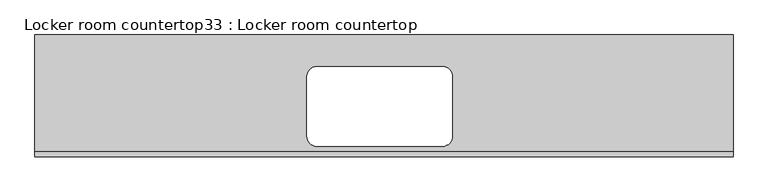
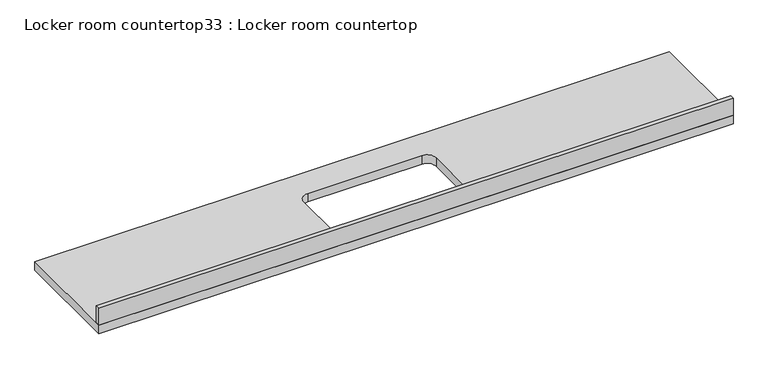
"""IFC4 building model written with IfcOpenShell, lengths in millimetres: furniture geometry, Locker room countertop33 : Locker room countertop."""

from ifc_helpers import new_model, si_unit, point, frame, frame_2d, origin, place, context, project, spatial, polyline, circle_curve, trimmed, segment, composite_curve, outline, extrude, source, transform, mapped, element, save


def locker_room_countertop33_locker_room_countertop_3f934d80(model_context):
    return source(origin(), model_context, "Body", "SweptSolid", [
        extrude(outline(polyline([(46824.5169064, -19753.0849491), (50449.6502008, -19753.0849491), (50449.6502008, -20385.7051669), (46824.5169064, -20385.7051669), (46824.5169064, -19753.0849491)]), holes=[composite_curve([segment(polyline([(48287.4752008, -20330.9349491), (48941.5252008, -20330.9349491)]), True, "CONTINUOUS"), segment(trimmed(circle_curve(frame_2d((48941.5252008, -20280.1349491)), 50.8), [point((48941.5252008, -20330.9349491))], [point((48992.3252008, -20280.1349491))], True, "CARTESIAN"), True, "CONTINUOUS"), segment(polyline([(48992.3252008, -20280.1349491), (48992.3252008, -19968.9849491)]), True, "CONTINUOUS"), segment(trimmed(circle_curve(frame_2d((48941.5252008, -19968.9849491)), 50.8), [point((48992.3252008, -19968.9849491))], [point((48941.5252008, -19918.1849491))], True, "CARTESIAN"), True, "CONTINUOUS"), segment(polyline([(48941.5252008, -19918.1849491), (48287.4752008, -19918.1849491)]), True, "CONTINUOUS"), segment(trimmed(circle_curve(frame_2d((48287.4752008, -19968.9849491)), 50.8), [point((48287.4752008, -19918.1849491))], [point((48236.6752008, -19968.9849491))], True, "CARTESIAN"), True, "CONTINUOUS"), segment(polyline([(48236.6752008, -19968.9849491), (48236.6752008, -20280.1349491)]), True, "CONTINUOUS"), segment(trimmed(circle_curve(frame_2d((48287.4752008, -20280.1349491)), 50.8), [point((48236.6752008, -20280.1349491))], [point((48287.4752008, -20330.9349491))], True, "CARTESIAN"), True, "CONTINUOUS")], self_intersect=False)]), frame((0.0, 0.0, 863.6), z_axis=(0.0, 0.0, 1.0), x_axis=(1.0, 0.0, 0.0)), (0.0, 0.0, 1.0), 50.8),
        extrude(outline(polyline([(46824.5169064, -20360.3051669), (50449.6502008, -20360.3051669), (50449.6502008, -20385.7051669), (46824.5169064, -20385.7051669), (46824.5169064, -20360.3051669)])), frame((0.0, 0.0, 914.4), z_axis=(0.0, 0.0, 1.0), x_axis=(1.0, 0.0, 0.0)), (0.0, 0.0, 1.0), 101.6),
    ])


if __name__ == "__main__":
    model = new_model("IFC4")
    model_context = context("Model", 3, world=origin())
    ifc_project = project(units=[si_unit("LENGTHUNIT", "METRE", prefix="MILLI")], contexts=[model_context])
    site = spatial("IfcSite", under=ifc_project)
    building = spatial("IfcBuilding", under=site)
    placement = place(None, origin())
    locker_room_countertop33_locker_room_countertop_shape = locker_room_countertop33_locker_room_countertop_3f934d80(model_context)
    element("IfcFurniture", 1, ObjectType="Locker room countertop33 : Locker room countertop", at=placement, inside=building, context=model_context, shape_type="MappedRepresentation", body=[
        mapped(locker_room_countertop33_locker_room_countertop_shape, transform((0.0, 0.0, 0.0), x_axis=(1.0, 0.0, 0.0), y_axis=(0.0, 1.0, 0.0), z_axis=(0.0, 0.0, 1.0))),
    ])
    save(model, "model.ifc")
